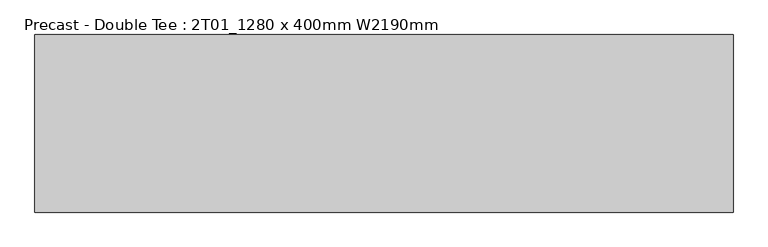
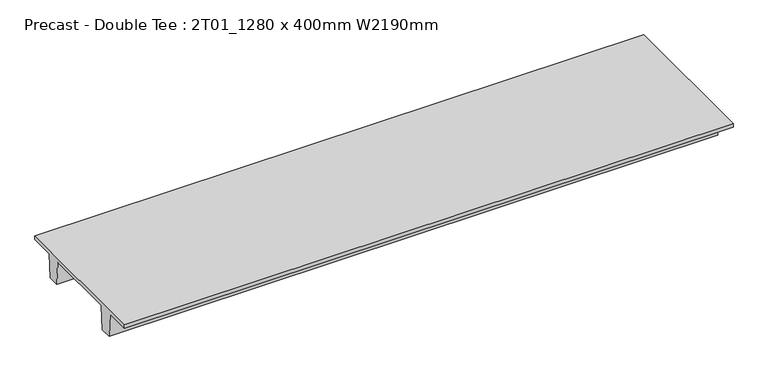
"""IFC4 building model written with IfcOpenShell, lengths in millimetres: beam geometry, Precast - Double Tee : 2T01_1280 x 400mm W2190mm."""

from ifc_helpers import new_model, si_unit, frame, origin, place, context, project, spatial, polyline, outline, extrude, source, transform, mapped, element, save


def precast_double_tee_2t01_1280_x_400mm_w2190mm_f8bbf410(model_context):
    return source(origin(), model_context, "Body", "SweptSolid", [
        extrude(outline(polyline([(1095.0, 200.0), (1095.0, 150.0), (745.4, 150.0), (720.0, -200.0), (560.0, -200.0), (534.6, 150.0), (-534.6, 150.0), (-560.0, -200.0), (-720.0, -200.0), (-745.4, 150.0), (-1095.0, 150.0), (-1095.0, 200.0), (1095.0, 200.0)])), frame((-4313.5, 0.0, 0.0), z_axis=(1.0, 0.0, 0.0), x_axis=(0.0, 1.0, 0.0)), (0.0, 0.0, 1.0), 8606.0),
    ])


if __name__ == "__main__":
    model = new_model("IFC4")
    model_context = context("Model", 3, world=origin())
    ifc_project = project(units=[si_unit("LENGTHUNIT", "METRE", prefix="MILLI")], contexts=[model_context])
    site = spatial("IfcSite", under=ifc_project)
    building = spatial("IfcBuilding", under=site)
    placement = place(None, origin())
    precast_double_tee_2t01_1280_x_400mm_w2190mm_shape = precast_double_tee_2t01_1280_x_400mm_w2190mm_f8bbf410(model_context)
    element("IfcBeam", 1, ObjectType="Precast - Double Tee : 2T01_1280 x 400mm W2190mm", at=placement, inside=building, context=model_context, shape_type="MappedRepresentation", body=[
        mapped(precast_double_tee_2t01_1280_x_400mm_w2190mm_shape, transform((0.0, 0.0, 0.0), x_axis=(1.0, 0.0, 0.0), y_axis=(0.0, 1.0, 0.0), z_axis=(0.0, 0.0, 1.0))),
    ])
    save(model, "model.ifc")
